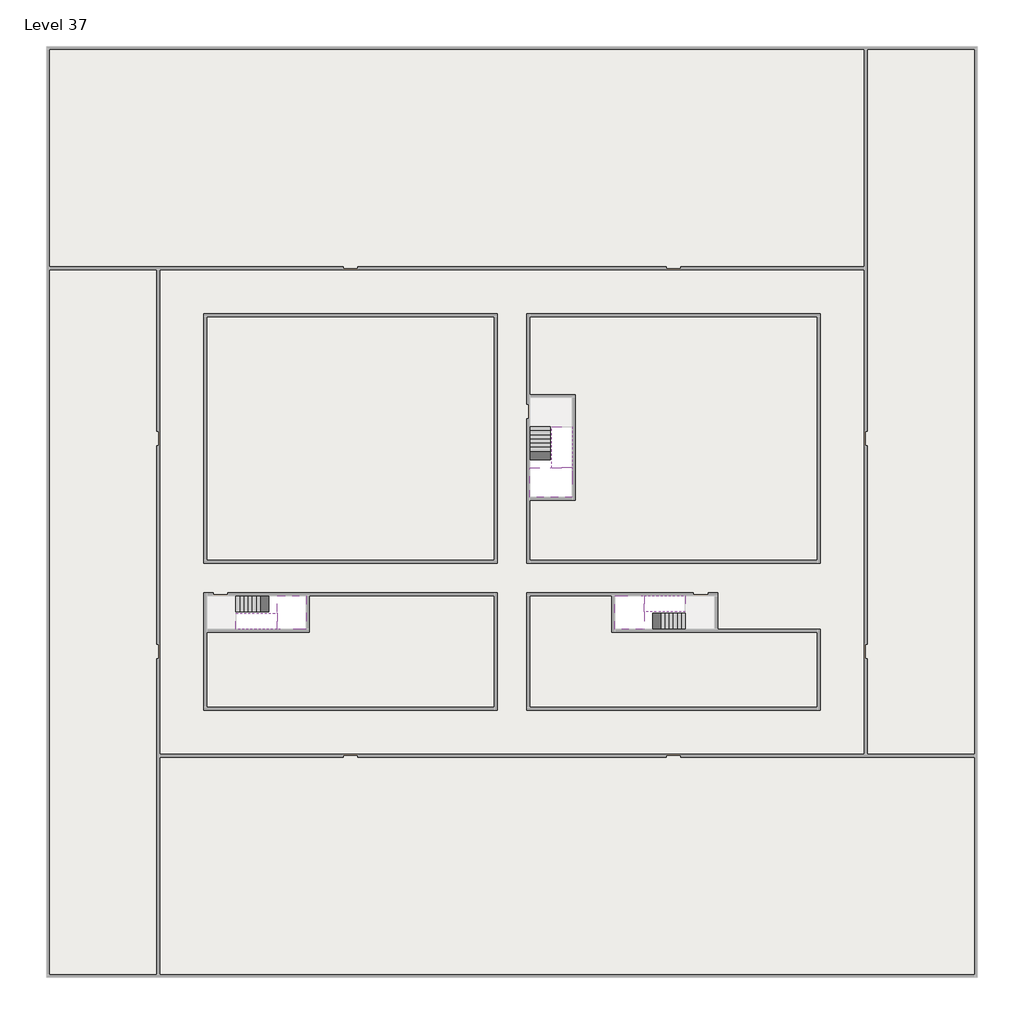
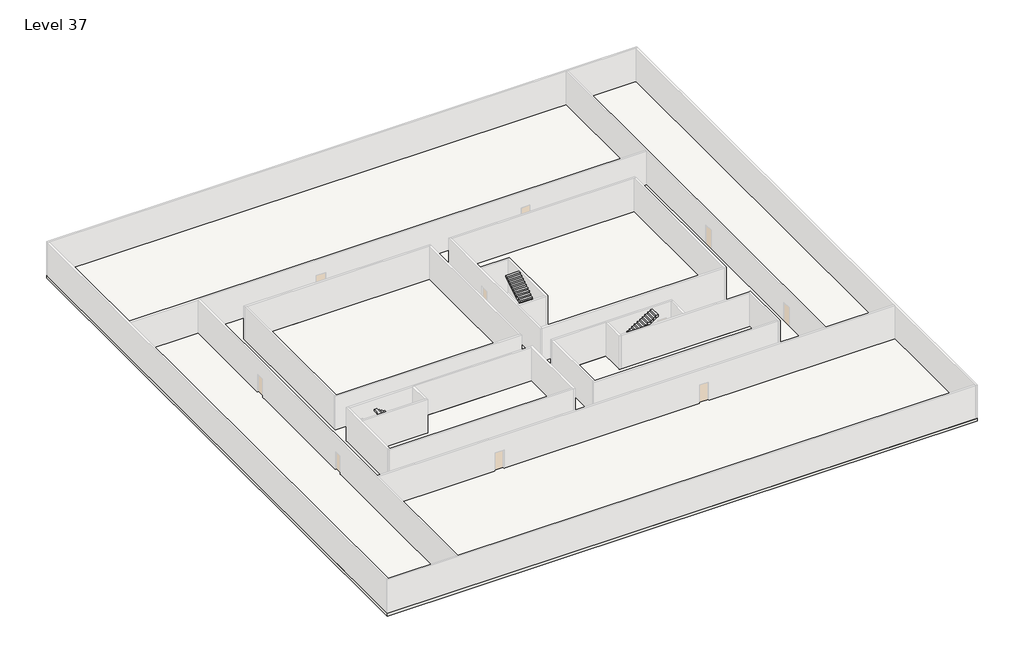
# One storey, part 2 of 2: 6 stair flights, 5 slabs.
"""IFC4 building model written with IfcOpenShell, lengths in millimetres."""

from ifc_helpers import new_model, si_unit, frame, origin, place, context, project, spatial, polyline, outline, extrude, faceted_brep, element, save

model = new_model("IFC4")

# Units and contexts
model_context = context("Model", 3, world=origin())
ifc_project = project(units=[si_unit("LENGTHUNIT", "METRE", prefix="MILLI")], contexts=[model_context])

# Site, building, storey
site = spatial("IfcSite", under=ifc_project)
building = spatial("IfcBuilding", under=site)
storey = spatial("IfcBuildingStorey", under=building, Name="Level 37", Elevation=136800.0)

# Slabs
placement = place(None, origin())
element("IfcSlab", 1, at=placement, inside=storey, context=model_context, shape_type="Brep", body=[
    faceted_brep([(8190.1058784, -42918.09644, 138700.0), (8190.1058784, -44018.09644, 138700.0), (8190.1058784, -44118.09644, 138700.0), (8190.1058784, -45218.09644, 138700.0), (8390.7194421, -45218.09644, 138700.0), (10190.1058784, -45218.09644, 138700.0), (10190.1058784, -42918.09644, 138700.0), (8269.4923146, -42918.09644, 138700.0), (8190.1058784, -42918.09644, 138527.2727273), (8190.1058784, -42918.09644, 138351.0278478), (8190.1058784, -44018.09644, 138351.0278478), (8190.1058784, -44018.09644, 138400.0), (8190.1058784, -44118.09644, 138400.0), (8190.1058784, -44118.09644, 138523.7551205), (8190.1058784, -45218.09644, 138523.7551205), (8390.7194421, -45218.09644, 138400.0), (10190.1058784, -45218.09644, 138400.0), (10190.1058784, -42918.09644, 138400.0), (8269.4923146, -42918.09644, 138400.0), (8390.7194421, -44118.09644, 138400.0), (8269.4923146, -44018.09644, 138400.0)], [[[0, 1, 2, 3, 4, 5, 6, 7]], [[1, 0, 8, 9, 10, 11]], [[2, 1, 11, 12, 13]], [[3, 2, 13, 14]], [[3, 14, 15, 16, 5, 4]], [[6, 5, 16, 17]], [[9, 8, 0, 7, 6, 17, 18]], [[19, 12, 11, 20, 18, 17, 16, 15]], [[12, 19, 13]], [[18, 20, 10, 9]], [[20, 11, 10]], [[19, 15, 14, 13]]]),
])
element("IfcSlab", 2, at=placement, inside=storey, context=model_context, shape_type="Brep", body=[
    faceted_brep([(33190.1058784, -45218.09644, 138700.0), (33190.1058784, -44118.09644, 138700.0), (33190.1058784, -44018.09644, 138700.0), (33190.1058784, -42918.09644, 138700.0), (32989.4923146, -42918.09644, 138700.0), (31190.1058784, -42918.09644, 138700.0), (31190.1058784, -45218.09644, 138700.0), (33110.7194421, -45218.09644, 138700.0), (33190.1058784, -45218.09644, 138527.2727273), (33190.1058784, -45218.09644, 138351.0278478), (33190.1058784, -44118.09644, 138351.0278478), (33190.1058784, -44118.09644, 138400.0), (33190.1058784, -44018.09644, 138400.0), (33190.1058784, -44018.09644, 138523.7551205), (33190.1058784, -42918.09644, 138523.7551205), (32989.4923146, -42918.09644, 138400.0), (31190.1058784, -42918.09644, 138400.0), (31190.1058784, -45218.09644, 138400.0), (33110.7194421, -45218.09644, 138400.0), (32989.4923146, -44018.09644, 138400.0), (33110.7194421, -44118.09644, 138400.0)], [[[0, 1, 2, 3, 4, 5, 6, 7]], [[1, 0, 8, 9, 10, 11]], [[2, 1, 11, 12, 13]], [[3, 2, 13, 14]], [[3, 14, 15, 16, 5, 4]], [[6, 5, 16, 17]], [[9, 8, 0, 7, 6, 17, 18]], [[19, 12, 11, 20, 18, 17, 16, 15]], [[12, 19, 13]], [[18, 20, 10, 9]], [[20, 11, 10]], [[19, 15, 14, 13]]]),
])
element("IfcSlab", 3, at=placement, inside=storey, context=model_context, shape_type="Brep", body=[
    faceted_brep([(26790.1058784, -34218.09644, 138700.0), (25390.1058784, -34218.09644, 138700.0), (25390.1058784, -34297.4828763, 138700.0), (25390.1058784, -36218.09644, 138700.0), (28290.1058784, -36218.09644, 138700.0), (28290.1058784, -34418.7100038, 138700.0), (28290.1058784, -34218.09644, 138700.0), (26890.1058784, -34218.09644, 138700.0), (26790.1058784, -34218.09644, 138400.0), (26790.1058784, -34218.09644, 138351.0278478), (25390.1058784, -34218.09644, 138351.0278478), (25390.1058784, -34218.09644, 138527.2727273), (25390.1058784, -34297.4828763, 138400.0), (25390.1058784, -36218.09644, 138400.0), (28290.1058784, -36218.09644, 138400.0), (28290.1058784, -34418.7100038, 138400.0), (28290.1058784, -34218.09644, 138523.7551205), (26890.1058784, -34218.09644, 138523.7551205), (26890.1058784, -34218.09644, 138400.0), (26890.1058784, -34418.7100038, 138400.0), (26790.1058784, -34297.4828763, 138400.0)], [[[0, 1, 2, 3, 4, 5, 6, 7]], [[1, 0, 8, 9, 10, 11]], [[1, 11, 10, 12, 13, 3, 2]], [[4, 3, 13, 14]], [[4, 14, 15, 16, 6, 5]], [[7, 6, 16, 17]], [[0, 7, 17, 18, 8]], [[18, 19, 15, 14, 13, 12, 20, 8]], [[19, 18, 17]], [[20, 12, 10, 9]], [[8, 20, 9]], [[15, 19, 17, 16]]]),
])
element("IfcSlab", 4, at=placement, inside=storey, context=model_context, shape_type="SweptSolid", body=[
    extrude(outline(polyline([(55890.1058784, -5518.09644), (55890.1058784, -68918.09644), (-7509.8941216, -68918.09644), (-7509.8941216, -5518.09644), (55890.1058784, -5518.09644)]), holes=[polyline([(22990.1058784, -23918.09644), (3390.1058784, -23918.09644), (3390.1058784, -40518.09644), (22990.1058784, -40518.09644), (22990.1058784, -23918.09644)]), polyline([(44990.1058784, -23918.09644), (25390.1058784, -23918.09644), (25390.1058784, -40518.09644), (44990.1058784, -40518.09644), (44990.1058784, -23918.09644)]), polyline([(37990.1058784, -42918.09644), (25390.1058784, -42918.09644), (25390.1058784, -50518.09644), (44990.1058784, -50518.09644), (44990.1058784, -45418.09644), (37990.1058784, -45418.09644), (37990.1058784, -42918.09644)]), polyline([(22990.1058784, -42918.09644), (3390.1058784, -42918.09644), (3390.1058784, -50518.09644), (22990.1058784, -50518.09644), (22990.1058784, -42918.09644)])]), frame((0.0, 0.0, 136500.0), z_axis=(0.0, 0.0, 1.0), x_axis=(1.0, 0.0, 0.0)), (0.0, 0.0, 1.0), 300.0),
])
element("IfcSlab", 5, at=placement, inside=storey, context=model_context, shape_type="SweptSolid", body=[
    extrude(outline(polyline([(22990.1058784, -23918.09644), (22990.1058784, -40518.09644), (3390.1058784, -40518.09644), (3390.1058784, -23918.09644), (22990.1058784, -23918.09644)])), frame((0.0, 0.0, 136500.0), z_axis=(0.0, 0.0, 1.0), x_axis=(1.0, 0.0, 0.0)), (0.0, 0.0, 1.0), 300.0),
    extrude(outline(polyline([(44990.1058784, -23918.09644), (44990.1058784, -40518.09644), (25390.1058784, -40518.09644), (25390.1058784, -36418.09644), (28490.1058784, -36418.09644), (28490.1058784, -29218.09644), (25390.1058784, -29218.09644), (25390.1058784, -23918.09644), (44990.1058784, -23918.09644)])), frame((0.0, 0.0, 136500.0), z_axis=(0.0, 0.0, 1.0), x_axis=(1.0, 0.0, 0.0)), (0.0, 0.0, 1.0), 300.0),
    extrude(outline(polyline([(22990.1058784, -42918.09644), (22990.1058784, -50518.09644), (3390.1058784, -50518.09644), (3390.1058784, -45418.09644), (10390.1058784, -45418.09644), (10390.1058784, -42918.09644), (22990.1058784, -42918.09644)])), frame((0.0, 0.0, 136500.0), z_axis=(0.0, 0.0, 1.0), x_axis=(1.0, 0.0, 0.0)), (0.0, 0.0, 1.0), 300.0),
    extrude(outline(polyline([(30990.1058784, -42918.09644), (30990.1058784, -45418.09644), (44990.1058784, -45418.09644), (44990.1058784, -50518.09644), (25390.1058784, -50518.09644), (25390.1058784, -42918.09644), (30990.1058784, -42918.09644)])), frame((0.0, 0.0, 136500.0), z_axis=(0.0, 0.0, 1.0), x_axis=(1.0, 0.0, 0.0)), (0.0, 0.0, 1.0), 300.0),
])

# Stair flights
element("IfcStairFlight", 6, at=placement, inside=storey, context=model_context, shape_type="Brep", body=[
    faceted_brep([(5670.1058784, -42918.09644, 136972.7272727), (5390.1058784, -42918.09644, 136972.7272727), (5390.1058784, -44018.09644, 136972.7272727), (5670.1058784, -44018.09644, 136972.7272727), (5670.1058784, -42918.09644, 136800.0), (5390.1058784, -42918.09644, 136800.0), (5390.1058784, -44018.09644, 136800.0), (5670.1058784, -44018.09644, 136800.0), (5950.1058784, -42918.09644, 137145.4545455), (5670.1058784, -42918.09644, 137145.4545455), (5670.1058784, -44018.09644, 137145.4545455), (5950.1058784, -44018.09644, 137145.4545455), (5950.1058784, -42918.09644, 136969.209666), (5675.8081041, -42918.09644, 136800.0), (5675.8081041, -44018.09644, 136800.0), (5950.1058784, -44018.09644, 136969.209666), (6230.1058784, -42918.09644, 137318.1818182), (5950.1058784, -42918.09644, 137318.1818182), (5950.1058784, -44018.09644, 137318.1818182), (6230.1058784, -44018.09644, 137318.1818182), (6230.1058784, -42918.09644, 137141.9369387), (6230.1058784, -44018.09644, 137141.9369387), (6510.1058784, -42918.09644, 137490.9090909), (6230.1058784, -42918.09644, 137490.9090909), (6230.1058784, -44018.09644, 137490.9090909), (6510.1058784, -44018.09644, 137490.9090909), (6510.1058784, -42918.09644, 137314.6642114), (6510.1058784, -44018.09644, 137314.6642114), (6790.1058784, -42918.09644, 137663.6363636), (6510.1058784, -42918.09644, 137663.6363636), (6510.1058784, -44018.09644, 137663.6363636), (6790.1058784, -44018.09644, 137663.6363636), (6790.1058784, -42918.09644, 137487.3914841), (6790.1058784, -44018.09644, 137487.3914841), (7070.1058784, -42918.09644, 137836.3636364), (6790.1058784, -42918.09644, 137836.3636364), (6790.1058784, -44018.09644, 137836.3636364), (7070.1058784, -44018.09644, 137836.3636364), (7070.1058784, -42918.09644, 137660.1187569), (7070.1058784, -44018.09644, 137660.1187569), (7350.1058784, -42918.09644, 138009.0909091), (7070.1058784, -42918.09644, 138009.0909091), (7070.1058784, -44018.09644, 138009.0909091), (7350.1058784, -44018.09644, 138009.0909091), (7350.1058784, -42918.09644, 137832.8460296), (7350.1058784, -44018.09644, 137832.8460296), (7630.1058784, -42918.09644, 138181.8181818), (7350.1058784, -42918.09644, 138181.8181818), (7350.1058784, -44018.09644, 138181.8181818), (7630.1058784, -44018.09644, 138181.8181818), (7630.1058784, -42918.09644, 138005.5733023), (7630.1058784, -44018.09644, 138005.5733023), (7910.1058784, -42918.09644, 138354.5454545), (7630.1058784, -42918.09644, 138354.5454545), (7630.1058784, -44018.09644, 138354.5454545), (7910.1058784, -44018.09644, 138354.5454545), (7910.1058784, -42918.09644, 138178.3005751), (7910.1058784, -44018.09644, 138178.3005751), (8190.1058784, -42918.09644, 138527.2727273), (7910.1058784, -42918.09644, 138527.2727273), (7910.1058784, -44018.09644, 138527.2727273), (8190.1058784, -44018.09644, 138527.2727273), (8190.1058784, -42918.09644, 138351.0278478), (8190.1058784, -44018.09644, 138351.0278478), (8190.1058784, -44018.09644, 138400.0)], [[[0, 1, 2, 3]], [[1, 0, 4, 5]], [[2, 1, 5, 6]], [[3, 2, 6, 7]], [[8, 9, 10, 11]], [[4, 0, 9, 8, 12, 13]], [[0, 3, 10, 9]], [[3, 7, 14, 15, 11, 10]], [[16, 17, 18, 19]], [[17, 16, 20, 12, 8]], [[8, 11, 18, 17]], [[19, 18, 11, 15, 21]], [[22, 23, 24, 25]], [[23, 22, 26, 20, 16]], [[16, 19, 24, 23]], [[25, 24, 19, 21, 27]], [[28, 29, 30, 31]], [[29, 28, 32, 26, 22]], [[22, 25, 30, 29]], [[31, 30, 25, 27, 33]], [[34, 35, 36, 37]], [[35, 34, 38, 32, 28]], [[28, 31, 36, 35]], [[37, 36, 31, 33, 39]], [[40, 41, 42, 43]], [[41, 40, 44, 38, 34]], [[34, 37, 42, 41]], [[43, 42, 37, 39, 45]], [[46, 47, 48, 49]], [[47, 46, 50, 44, 40]], [[40, 43, 48, 47]], [[49, 48, 43, 45, 51]], [[52, 53, 54, 55]], [[53, 52, 56, 50, 46]], [[46, 49, 54, 53]], [[55, 54, 49, 51, 57]], [[58, 59, 60, 61]], [[59, 58, 62, 56, 52]], [[52, 55, 60, 59]], [[61, 60, 55, 57, 63, 64]], [[58, 61, 64, 63, 62]], [[5, 4, 13, 14, 7, 6]], [[14, 13, 12, 20, 26, 32, 38, 44, 50, 56, 62, 63, 57, 51, 45, 39, 33, 27, 21, 15]]]),
])
element("IfcStairFlight", 7, at=placement, inside=storey, context=model_context, shape_type="Brep", body=[
    faceted_brep([(7910.1058784, -45218.09644, 138872.7272727), (8190.1058784, -45218.09644, 138872.7272727), (8190.1058784, -44118.09644, 138872.7272727), (7910.1058784, -44118.09644, 138872.7272727), (7910.1058784, -45218.09644, 138696.4823932), (8190.1058784, -45218.09644, 138523.7551205), (8190.1058784, -45218.09644, 138700.0), (8190.1058784, -44118.09644, 138523.7551205), (7910.1058784, -44118.09644, 138696.4823932), (7630.1058784, -45218.09644, 139045.4545455), (7910.1058784, -45218.09644, 139045.4545455), (7910.1058784, -44118.09644, 139045.4545455), (7630.1058784, -44118.09644, 139045.4545455), (7630.1058784, -45218.09644, 138869.209666), (7630.1058784, -44118.09644, 138869.209666), (7350.1058784, -45218.09644, 139218.1818182), (7630.1058784, -45218.09644, 139218.1818182), (7630.1058784, -44118.09644, 139218.1818182), (7350.1058784, -44118.09644, 139218.1818182), (7350.1058784, -45218.09644, 139041.9369387), (7350.1058784, -44118.09644, 139041.9369387), (7070.1058784, -45218.09644, 139390.9090909), (7350.1058784, -45218.09644, 139390.9090909), (7350.1058784, -44118.09644, 139390.9090909), (7070.1058784, -44118.09644, 139390.9090909), (7070.1058784, -45218.09644, 139214.6642114), (7070.1058784, -44118.09644, 139214.6642114), (6790.1058784, -45218.09644, 139563.6363636), (7070.1058784, -45218.09644, 139563.6363636), (7070.1058784, -44118.09644, 139563.6363636), (6790.1058784, -44118.09644, 139563.6363636), (6790.1058784, -45218.09644, 139387.3914841), (6790.1058784, -44118.09644, 139387.3914841), (6510.1058784, -45218.09644, 139736.3636364), (6790.1058784, -45218.09644, 139736.3636364), (6790.1058784, -44118.09644, 139736.3636364), (6510.1058784, -44118.09644, 139736.3636364), (6510.1058784, -45218.09644, 139560.1187569), (6510.1058784, -44118.09644, 139560.1187569), (6230.1058784, -45218.09644, 139909.0909091), (6510.1058784, -45218.09644, 139909.0909091), (6510.1058784, -44118.09644, 139909.0909091), (6230.1058784, -44118.09644, 139909.0909091), (6230.1058784, -45218.09644, 139732.8460296), (6230.1058784, -44118.09644, 139732.8460296), (5950.1058784, -45218.09644, 140081.8181818), (6230.1058784, -45218.09644, 140081.8181818), (6230.1058784, -44118.09644, 140081.8181818), (5950.1058784, -44118.09644, 140081.8181818), (5950.1058784, -45218.09644, 139905.5733023), (5950.1058784, -44118.09644, 139905.5733023), (5670.1058784, -45218.09644, 140254.5454545), (5950.1058784, -45218.09644, 140254.5454545), (5950.1058784, -44118.09644, 140254.5454545), (5670.1058784, -44118.09644, 140254.5454545), (5670.1058784, -45218.09644, 140078.3005751), (5670.1058784, -44118.09644, 140078.3005751), (5390.1058784, -45218.09644, 140427.2727273), (5670.1058784, -45218.09644, 140427.2727273), (5670.1058784, -44118.09644, 140427.2727273), (5390.1058784, -44118.09644, 140427.2727273), (5390.1058784, -45218.09644, 140251.0278478), (5390.1058784, -44118.09644, 140251.0278478)], [[[0, 1, 2, 3]], [[1, 0, 4, 5, 6]], [[2, 1, 6, 5, 7]], [[3, 2, 7, 8]], [[9, 10, 11, 12]], [[10, 9, 13, 4, 0]], [[11, 10, 0, 3]], [[12, 11, 3, 8, 14]], [[15, 16, 17, 18]], [[16, 15, 19, 13, 9]], [[17, 16, 9, 12]], [[18, 17, 12, 14, 20]], [[21, 22, 23, 24]], [[22, 21, 25, 19, 15]], [[23, 22, 15, 18]], [[24, 23, 18, 20, 26]], [[27, 28, 29, 30]], [[28, 27, 31, 25, 21]], [[29, 28, 21, 24]], [[30, 29, 24, 26, 32]], [[33, 34, 35, 36]], [[34, 33, 37, 31, 27]], [[35, 34, 27, 30]], [[36, 35, 30, 32, 38]], [[39, 40, 41, 42]], [[40, 39, 43, 37, 33]], [[41, 40, 33, 36]], [[42, 41, 36, 38, 44]], [[45, 46, 47, 48]], [[46, 45, 49, 43, 39]], [[47, 46, 39, 42]], [[48, 47, 42, 44, 50]], [[51, 52, 53, 54]], [[52, 51, 55, 49, 45]], [[53, 52, 45, 48]], [[54, 53, 48, 50, 56]], [[57, 58, 59, 60]], [[58, 57, 61, 55, 51]], [[59, 58, 51, 54]], [[60, 59, 54, 56, 62]], [[57, 60, 62, 61]], [[5, 4, 13, 19, 25, 31, 37, 43, 49, 55, 61, 62, 56, 50, 44, 38, 32, 26, 20, 14, 8, 7]]]),
])
element("IfcStairFlight", 8, at=placement, inside=storey, context=model_context, shape_type="Brep", body=[
    faceted_brep([(35710.1058784, -45218.09644, 136972.7272727), (35990.1058784, -45218.09644, 136972.7272727), (35990.1058784, -44118.09644, 136972.7272727), (35710.1058784, -44118.09644, 136972.7272727), (35710.1058784, -45218.09644, 136800.0), (35990.1058784, -45218.09644, 136800.0), (35990.1058784, -44118.09644, 136800.0), (35710.1058784, -44118.09644, 136800.0), (35430.1058784, -45218.09644, 137145.4545455), (35710.1058784, -45218.09644, 137145.4545455), (35710.1058784, -44118.09644, 137145.4545455), (35430.1058784, -44118.09644, 137145.4545455), (35430.1058784, -45218.09644, 136969.209666), (35704.4036527, -45218.09644, 136800.0), (35704.4036527, -44118.09644, 136800.0), (35430.1058784, -44118.09644, 136969.209666), (35150.1058784, -45218.09644, 137318.1818182), (35430.1058784, -45218.09644, 137318.1818182), (35430.1058784, -44118.09644, 137318.1818182), (35150.1058784, -44118.09644, 137318.1818182), (35150.1058784, -45218.09644, 137141.9369387), (35150.1058784, -44118.09644, 137141.9369387), (34870.1058784, -45218.09644, 137490.9090909), (35150.1058784, -45218.09644, 137490.9090909), (35150.1058784, -44118.09644, 137490.9090909), (34870.1058784, -44118.09644, 137490.9090909), (34870.1058784, -45218.09644, 137314.6642114), (34870.1058784, -44118.09644, 137314.6642114), (34590.1058784, -45218.09644, 137663.6363636), (34870.1058784, -45218.09644, 137663.6363636), (34870.1058784, -44118.09644, 137663.6363636), (34590.1058784, -44118.09644, 137663.6363636), (34590.1058784, -45218.09644, 137487.3914841), (34590.1058784, -44118.09644, 137487.3914841), (34310.1058784, -45218.09644, 137836.3636364), (34590.1058784, -45218.09644, 137836.3636364), (34590.1058784, -44118.09644, 137836.3636364), (34310.1058784, -44118.09644, 137836.3636364), (34310.1058784, -45218.09644, 137660.1187569), (34310.1058784, -44118.09644, 137660.1187569), (34030.1058784, -45218.09644, 138009.0909091), (34310.1058784, -45218.09644, 138009.0909091), (34310.1058784, -44118.09644, 138009.0909091), (34030.1058784, -44118.09644, 138009.0909091), (34030.1058784, -45218.09644, 137832.8460296), (34030.1058784, -44118.09644, 137832.8460296), (33750.1058784, -45218.09644, 138181.8181818), (34030.1058784, -45218.09644, 138181.8181818), (34030.1058784, -44118.09644, 138181.8181818), (33750.1058784, -44118.09644, 138181.8181818), (33750.1058784, -45218.09644, 138005.5733023), (33750.1058784, -44118.09644, 138005.5733023), (33470.1058784, -45218.09644, 138354.5454545), (33750.1058784, -45218.09644, 138354.5454545), (33750.1058784, -44118.09644, 138354.5454545), (33470.1058784, -44118.09644, 138354.5454545), (33470.1058784, -45218.09644, 138178.3005751), (33470.1058784, -44118.09644, 138178.3005751), (33190.1058784, -45218.09644, 138527.2727273), (33470.1058784, -45218.09644, 138527.2727273), (33470.1058784, -44118.09644, 138527.2727273), (33190.1058784, -44118.09644, 138527.2727273), (33190.1058784, -45218.09644, 138351.0278478), (33190.1058784, -44118.09644, 138351.0278478), (33190.1058784, -44118.09644, 138400.0)], [[[0, 1, 2, 3]], [[1, 0, 4, 5]], [[2, 1, 5, 6]], [[3, 2, 6, 7]], [[8, 9, 10, 11]], [[4, 0, 9, 8, 12, 13]], [[0, 3, 10, 9]], [[3, 7, 14, 15, 11, 10]], [[16, 17, 18, 19]], [[17, 16, 20, 12, 8]], [[8, 11, 18, 17]], [[19, 18, 11, 15, 21]], [[22, 23, 24, 25]], [[23, 22, 26, 20, 16]], [[16, 19, 24, 23]], [[25, 24, 19, 21, 27]], [[28, 29, 30, 31]], [[29, 28, 32, 26, 22]], [[22, 25, 30, 29]], [[31, 30, 25, 27, 33]], [[34, 35, 36, 37]], [[35, 34, 38, 32, 28]], [[28, 31, 36, 35]], [[37, 36, 31, 33, 39]], [[40, 41, 42, 43]], [[41, 40, 44, 38, 34]], [[34, 37, 42, 41]], [[43, 42, 37, 39, 45]], [[46, 47, 48, 49]], [[47, 46, 50, 44, 40]], [[40, 43, 48, 47]], [[49, 48, 43, 45, 51]], [[52, 53, 54, 55]], [[53, 52, 56, 50, 46]], [[46, 49, 54, 53]], [[55, 54, 49, 51, 57]], [[58, 59, 60, 61]], [[59, 58, 62, 56, 52]], [[52, 55, 60, 59]], [[61, 60, 55, 57, 63, 64]], [[58, 61, 64, 63, 62]], [[5, 4, 13, 14, 7, 6]], [[14, 13, 12, 20, 26, 32, 38, 44, 50, 56, 62, 63, 57, 51, 45, 39, 33, 27, 21, 15]]]),
])
element("IfcStairFlight", 9, at=placement, inside=storey, context=model_context, shape_type="Brep", body=[
    faceted_brep([(33470.1058784, -42918.09644, 138872.7272727), (33190.1058784, -42918.09644, 138872.7272727), (33190.1058784, -44018.09644, 138872.7272727), (33470.1058784, -44018.09644, 138872.7272727), (33470.1058784, -42918.09644, 138696.4823932), (33190.1058784, -42918.09644, 138523.7551205), (33190.1058784, -42918.09644, 138700.0), (33190.1058784, -44018.09644, 138523.7551205), (33470.1058784, -44018.09644, 138696.4823932), (33750.1058784, -42918.09644, 139045.4545455), (33470.1058784, -42918.09644, 139045.4545455), (33470.1058784, -44018.09644, 139045.4545455), (33750.1058784, -44018.09644, 139045.4545455), (33750.1058784, -42918.09644, 138869.209666), (33750.1058784, -44018.09644, 138869.209666), (34030.1058784, -42918.09644, 139218.1818182), (33750.1058784, -42918.09644, 139218.1818182), (33750.1058784, -44018.09644, 139218.1818182), (34030.1058784, -44018.09644, 139218.1818182), (34030.1058784, -42918.09644, 139041.9369387), (34030.1058784, -44018.09644, 139041.9369387), (34310.1058784, -42918.09644, 139390.9090909), (34030.1058784, -42918.09644, 139390.9090909), (34030.1058784, -44018.09644, 139390.9090909), (34310.1058784, -44018.09644, 139390.9090909), (34310.1058784, -42918.09644, 139214.6642114), (34310.1058784, -44018.09644, 139214.6642114), (34590.1058784, -42918.09644, 139563.6363636), (34310.1058784, -42918.09644, 139563.6363636), (34310.1058784, -44018.09644, 139563.6363636), (34590.1058784, -44018.09644, 139563.6363636), (34590.1058784, -42918.09644, 139387.3914841), (34590.1058784, -44018.09644, 139387.3914841), (34870.1058784, -42918.09644, 139736.3636364), (34590.1058784, -42918.09644, 139736.3636364), (34590.1058784, -44018.09644, 139736.3636364), (34870.1058784, -44018.09644, 139736.3636364), (34870.1058784, -42918.09644, 139560.1187569), (34870.1058784, -44018.09644, 139560.1187569), (35150.1058784, -42918.09644, 139909.0909091), (34870.1058784, -42918.09644, 139909.0909091), (34870.1058784, -44018.09644, 139909.0909091), (35150.1058784, -44018.09644, 139909.0909091), (35150.1058784, -42918.09644, 139732.8460296), (35150.1058784, -44018.09644, 139732.8460296), (35430.1058784, -42918.09644, 140081.8181818), (35150.1058784, -42918.09644, 140081.8181818), (35150.1058784, -44018.09644, 140081.8181818), (35430.1058784, -44018.09644, 140081.8181818), (35430.1058784, -42918.09644, 139905.5733023), (35430.1058784, -44018.09644, 139905.5733023), (35710.1058784, -42918.09644, 140254.5454545), (35430.1058784, -42918.09644, 140254.5454545), (35430.1058784, -44018.09644, 140254.5454545), (35710.1058784, -44018.09644, 140254.5454545), (35710.1058784, -42918.09644, 140078.3005751), (35710.1058784, -44018.09644, 140078.3005751), (35990.1058784, -42918.09644, 140427.2727273), (35710.1058784, -42918.09644, 140427.2727273), (35710.1058784, -44018.09644, 140427.2727273), (35990.1058784, -44018.09644, 140427.2727273), (35990.1058784, -42918.09644, 140251.0278478), (35990.1058784, -44018.09644, 140251.0278478)], [[[0, 1, 2, 3]], [[1, 0, 4, 5, 6]], [[2, 1, 6, 5, 7]], [[3, 2, 7, 8]], [[9, 10, 11, 12]], [[10, 9, 13, 4, 0]], [[11, 10, 0, 3]], [[12, 11, 3, 8, 14]], [[15, 16, 17, 18]], [[16, 15, 19, 13, 9]], [[17, 16, 9, 12]], [[18, 17, 12, 14, 20]], [[21, 22, 23, 24]], [[22, 21, 25, 19, 15]], [[23, 22, 15, 18]], [[24, 23, 18, 20, 26]], [[27, 28, 29, 30]], [[28, 27, 31, 25, 21]], [[29, 28, 21, 24]], [[30, 29, 24, 26, 32]], [[33, 34, 35, 36]], [[34, 33, 37, 31, 27]], [[35, 34, 27, 30]], [[36, 35, 30, 32, 38]], [[39, 40, 41, 42]], [[40, 39, 43, 37, 33]], [[41, 40, 33, 36]], [[42, 41, 36, 38, 44]], [[45, 46, 47, 48]], [[46, 45, 49, 43, 39]], [[47, 46, 39, 42]], [[48, 47, 42, 44, 50]], [[51, 52, 53, 54]], [[52, 51, 55, 49, 45]], [[53, 52, 45, 48]], [[54, 53, 48, 50, 56]], [[57, 58, 59, 60]], [[58, 57, 61, 55, 51]], [[59, 58, 51, 54]], [[60, 59, 54, 56, 62]], [[57, 60, 62, 61]], [[5, 4, 13, 19, 25, 31, 37, 43, 49, 55, 61, 62, 56, 50, 44, 38, 32, 26, 20, 14, 8, 7]]]),
])
element("IfcStairFlight", 10, at=placement, inside=storey, context=model_context, shape_type="Brep", body=[
    faceted_brep([(26790.1058784, -31698.09644, 136972.7272727), (26790.1058784, -31418.09644, 136972.7272727), (25390.1058784, -31418.09644, 136972.7272727), (25390.1058784, -31698.09644, 136972.7272727), (26790.1058784, -31698.09644, 136800.0), (26790.1058784, -31418.09644, 136800.0), (25390.1058784, -31418.09644, 136800.0), (25390.1058784, -31698.09644, 136800.0), (26790.1058784, -31978.09644, 137145.4545455), (26790.1058784, -31698.09644, 137145.4545455), (25390.1058784, -31698.09644, 137145.4545455), (25390.1058784, -31978.09644, 137145.4545455), (26790.1058784, -31978.09644, 136969.209666), (26790.1058784, -31703.7986657, 136800.0), (25390.1058784, -31703.7986657, 136800.0), (25390.1058784, -31978.09644, 136969.209666), (26790.1058784, -32258.09644, 137318.1818182), (26790.1058784, -31978.09644, 137318.1818182), (25390.1058784, -31978.09644, 137318.1818182), (25390.1058784, -32258.09644, 137318.1818182), (26790.1058784, -32258.09644, 137141.9369387), (25390.1058784, -32258.09644, 137141.9369387), (26790.1058784, -32538.09644, 137490.9090909), (26790.1058784, -32258.09644, 137490.9090909), (25390.1058784, -32258.09644, 137490.9090909), (25390.1058784, -32538.09644, 137490.9090909), (26790.1058784, -32538.09644, 137314.6642114), (25390.1058784, -32538.09644, 137314.6642114), (26790.1058784, -32818.09644, 137663.6363636), (26790.1058784, -32538.09644, 137663.6363636), (25390.1058784, -32538.09644, 137663.6363636), (25390.1058784, -32818.09644, 137663.6363636), (26790.1058784, -32818.09644, 137487.3914841), (25390.1058784, -32818.09644, 137487.3914841), (26790.1058784, -33098.09644, 137836.3636364), (26790.1058784, -32818.09644, 137836.3636364), (25390.1058784, -32818.09644, 137836.3636364), (25390.1058784, -33098.09644, 137836.3636364), (26790.1058784, -33098.09644, 137660.1187569), (25390.1058784, -33098.09644, 137660.1187569), (26790.1058784, -33378.09644, 138009.0909091), (26790.1058784, -33098.09644, 138009.0909091), (25390.1058784, -33098.09644, 138009.0909091), (25390.1058784, -33378.09644, 138009.0909091), (26790.1058784, -33378.09644, 137832.8460296), (25390.1058784, -33378.09644, 137832.8460296), (26790.1058784, -33658.09644, 138181.8181818), (26790.1058784, -33378.09644, 138181.8181818), (25390.1058784, -33378.09644, 138181.8181818), (25390.1058784, -33658.09644, 138181.8181818), (26790.1058784, -33658.09644, 138005.5733023), (25390.1058784, -33658.09644, 138005.5733023), (26790.1058784, -33938.09644, 138354.5454545), (26790.1058784, -33658.09644, 138354.5454545), (25390.1058784, -33658.09644, 138354.5454545), (25390.1058784, -33938.09644, 138354.5454545), (26790.1058784, -33938.09644, 138178.3005751), (25390.1058784, -33938.09644, 138178.3005751), (26790.1058784, -34218.09644, 138527.2727273), (26790.1058784, -33938.09644, 138527.2727273), (25390.1058784, -33938.09644, 138527.2727273), (25390.1058784, -34218.09644, 138527.2727273), (26790.1058784, -34218.09644, 138400.0), (26790.1058784, -34218.09644, 138351.0278478), (25390.1058784, -34218.09644, 138351.0278478)], [[[0, 1, 2, 3]], [[1, 0, 4, 5]], [[2, 1, 5, 6]], [[3, 2, 6, 7]], [[8, 9, 10, 11]], [[4, 0, 9, 8, 12, 13]], [[0, 3, 10, 9]], [[3, 7, 14, 15, 11, 10]], [[16, 17, 18, 19]], [[17, 16, 20, 12, 8]], [[8, 11, 18, 17]], [[19, 18, 11, 15, 21]], [[22, 23, 24, 25]], [[23, 22, 26, 20, 16]], [[16, 19, 24, 23]], [[25, 24, 19, 21, 27]], [[28, 29, 30, 31]], [[29, 28, 32, 26, 22]], [[22, 25, 30, 29]], [[31, 30, 25, 27, 33]], [[34, 35, 36, 37]], [[35, 34, 38, 32, 28]], [[28, 31, 36, 35]], [[37, 36, 31, 33, 39]], [[40, 41, 42, 43]], [[41, 40, 44, 38, 34]], [[34, 37, 42, 41]], [[43, 42, 37, 39, 45]], [[46, 47, 48, 49]], [[47, 46, 50, 44, 40]], [[40, 43, 48, 47]], [[49, 48, 43, 45, 51]], [[52, 53, 54, 55]], [[53, 52, 56, 50, 46]], [[46, 49, 54, 53]], [[55, 54, 49, 51, 57]], [[58, 59, 60, 61]], [[59, 58, 62, 63, 56, 52]], [[52, 55, 60, 59]], [[61, 60, 55, 57, 64]], [[58, 61, 64, 63, 62]], [[5, 4, 13, 14, 7, 6]], [[14, 13, 12, 20, 26, 32, 38, 44, 50, 56, 63, 64, 57, 51, 45, 39, 33, 27, 21, 15]]]),
])
element("IfcStairFlight", 11, at=placement, inside=storey, context=model_context, shape_type="Brep", body=[
    faceted_brep([(26890.1058784, -33938.09644, 138872.7272727), (26890.1058784, -34218.09644, 138872.7272727), (28290.1058784, -34218.09644, 138872.7272727), (28290.1058784, -33938.09644, 138872.7272727), (26890.1058784, -33938.09644, 138696.4823932), (26890.1058784, -34218.09644, 138523.7551205), (28290.1058784, -34218.09644, 138523.7551205), (28290.1058784, -34218.09644, 138700.0), (28290.1058784, -33938.09644, 138696.4823932), (26890.1058784, -33658.09644, 139045.4545455), (26890.1058784, -33938.09644, 139045.4545455), (28290.1058784, -33938.09644, 139045.4545455), (28290.1058784, -33658.09644, 139045.4545455), (26890.1058784, -33658.09644, 138869.209666), (28290.1058784, -33658.09644, 138869.209666), (26890.1058784, -33378.09644, 139218.1818182), (26890.1058784, -33658.09644, 139218.1818182), (28290.1058784, -33658.09644, 139218.1818182), (28290.1058784, -33378.09644, 139218.1818182), (26890.1058784, -33378.09644, 139041.9369387), (28290.1058784, -33378.09644, 139041.9369387), (26890.1058784, -33098.09644, 139390.9090909), (26890.1058784, -33378.09644, 139390.9090909), (28290.1058784, -33378.09644, 139390.9090909), (28290.1058784, -33098.09644, 139390.9090909), (26890.1058784, -33098.09644, 139214.6642114), (28290.1058784, -33098.09644, 139214.6642114), (26890.1058784, -32818.09644, 139563.6363636), (26890.1058784, -33098.09644, 139563.6363636), (28290.1058784, -33098.09644, 139563.6363636), (28290.1058784, -32818.09644, 139563.6363636), (26890.1058784, -32818.09644, 139387.3914841), (28290.1058784, -32818.09644, 139387.3914841), (26890.1058784, -32538.09644, 139736.3636364), (26890.1058784, -32818.09644, 139736.3636364), (28290.1058784, -32818.09644, 139736.3636364), (28290.1058784, -32538.09644, 139736.3636364), (26890.1058784, -32538.09644, 139560.1187569), (28290.1058784, -32538.09644, 139560.1187569), (26890.1058784, -32258.09644, 139909.0909091), (26890.1058784, -32538.09644, 139909.0909091), (28290.1058784, -32538.09644, 139909.0909091), (28290.1058784, -32258.09644, 139909.0909091), (26890.1058784, -32258.09644, 139732.8460296), (28290.1058784, -32258.09644, 139732.8460296), (26890.1058784, -31978.09644, 140081.8181818), (26890.1058784, -32258.09644, 140081.8181818), (28290.1058784, -32258.09644, 140081.8181818), (28290.1058784, -31978.09644, 140081.8181818), (26890.1058784, -31978.09644, 139905.5733023), (28290.1058784, -31978.09644, 139905.5733023), (26890.1058784, -31698.09644, 140254.5454545), (26890.1058784, -31978.09644, 140254.5454545), (28290.1058784, -31978.09644, 140254.5454545), (28290.1058784, -31698.09644, 140254.5454545), (26890.1058784, -31698.09644, 140078.3005751), (28290.1058784, -31698.09644, 140078.3005751), (26890.1058784, -31418.09644, 140427.2727273), (26890.1058784, -31698.09644, 140427.2727273), (28290.1058784, -31698.09644, 140427.2727273), (28290.1058784, -31418.09644, 140427.2727273), (26890.1058784, -31418.09644, 140251.0278478), (28290.1058784, -31418.09644, 140251.0278478)], [[[0, 1, 2, 3]], [[1, 0, 4, 5]], [[2, 1, 5, 6, 7]], [[3, 2, 7, 6, 8]], [[9, 10, 11, 12]], [[10, 9, 13, 4, 0]], [[11, 10, 0, 3]], [[12, 11, 3, 8, 14]], [[15, 16, 17, 18]], [[16, 15, 19, 13, 9]], [[17, 16, 9, 12]], [[18, 17, 12, 14, 20]], [[21, 22, 23, 24]], [[22, 21, 25, 19, 15]], [[23, 22, 15, 18]], [[24, 23, 18, 20, 26]], [[27, 28, 29, 30]], [[28, 27, 31, 25, 21]], [[29, 28, 21, 24]], [[30, 29, 24, 26, 32]], [[33, 34, 35, 36]], [[34, 33, 37, 31, 27]], [[35, 34, 27, 30]], [[36, 35, 30, 32, 38]], [[39, 40, 41, 42]], [[40, 39, 43, 37, 33]], [[41, 40, 33, 36]], [[42, 41, 36, 38, 44]], [[45, 46, 47, 48]], [[46, 45, 49, 43, 39]], [[47, 46, 39, 42]], [[48, 47, 42, 44, 50]], [[51, 52, 53, 54]], [[52, 51, 55, 49, 45]], [[53, 52, 45, 48]], [[54, 53, 48, 50, 56]], [[57, 58, 59, 60]], [[58, 57, 61, 55, 51]], [[59, 58, 51, 54]], [[60, 59, 54, 56, 62]], [[57, 60, 62, 61]], [[5, 4, 13, 19, 25, 31, 37, 43, 49, 55, 61, 62, 56, 50, 44, 38, 32, 26, 20, 14, 8, 6]]]),
])

save(model, "model.ifc")
